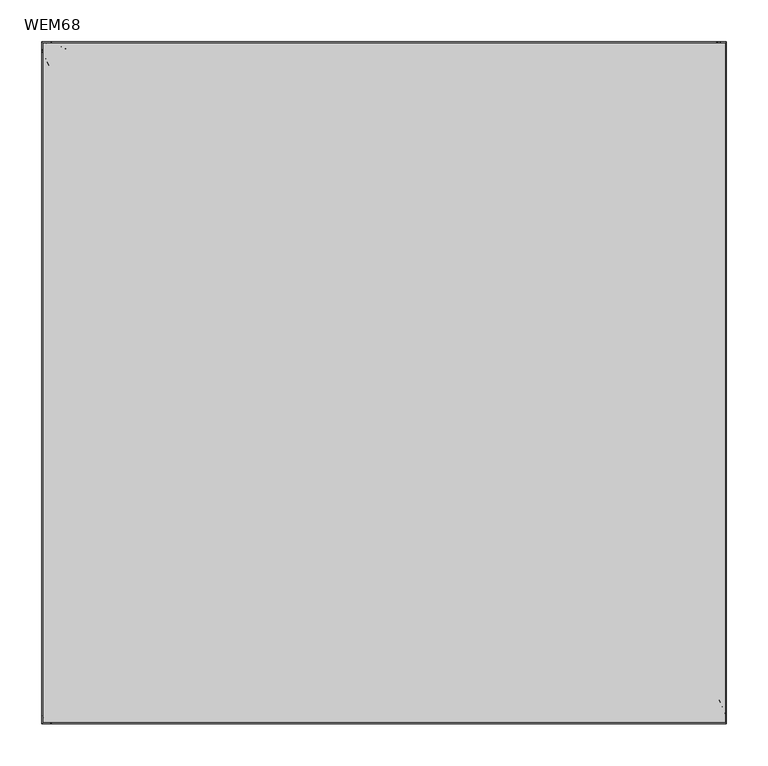
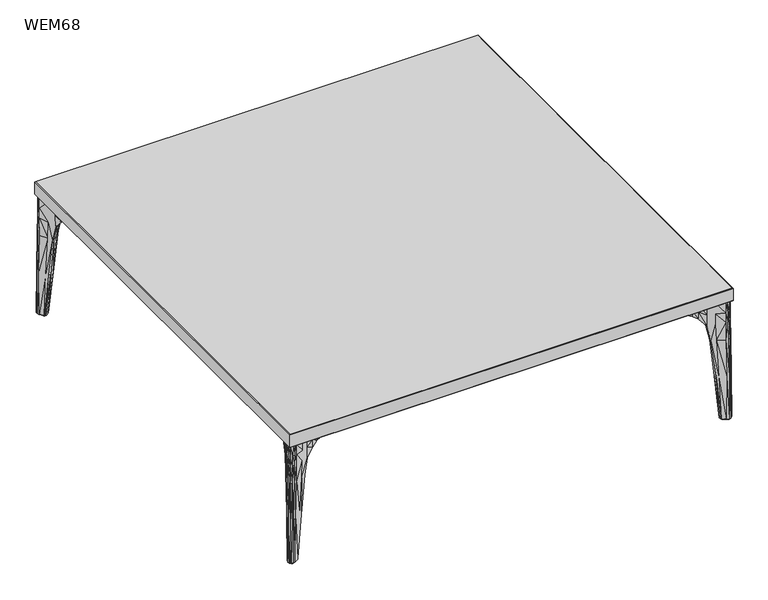
"""IFC4 building model written with IfcOpenShell, lengths in millimetres: furniture geometry, WEM68."""

from ifc_helpers import new_model, si_unit, origin, place, context, project, spatial, triangles, source, transform, mapped, element, save


def wem68_127366e8(model_context):
    return source(origin(), model_context, "Body", "Tessellation", [
        triangles([(-305.1301397, -375.8615782, 225.5355432), (-305.1301397, -375.8615782, 227.4269975), (-336.8280959, -382.4349051, 227.4269975), (-336.8280959, -382.4349415, 218.1970558), (-355.0053658, -387.5181705, 213.1631697), (-355.0053658, -387.5182068, 199.421494), (-345.2011677, -384.0476701, 206.0328455), (-345.0974676, -384.0868029, 216.5304969), (-367.3420401, -392.1795865, 205.415841), (-367.3042517, -391.8192524, 184.2103585), (-379.6227585, -398.2418255, 206.9621674), (-379.9041003, -398.0084822, 187.2463832), (-394.8892685, -405.5538065, 208.1181107), (-394.7795732, -405.6883913, 189.5159213), (-397.9117221, -406.2120875, 208.157843), (-398.4100565, -406.3233816, 189.817429), (-401.4846508, -404.8610799, 208.0958191), (-401.7859769, -404.6056449, 189.6939627), (-307.020504, -370.6362067, 226.0018301), (-307.020504, -370.6362067, 224.6288398), (-339.5273861, -338.1293973, 224.6288398), (-339.5273861, -338.1293973, 226.0018301), (-344.9898797, -384.1274254, 227.4270338), (-305.1301397, -375.8615782, 223.7133433), (-302.3911717, -375.2655753, 224.6288398), (-302.3911717, -375.2655753, 226.0018301), (-401.1718792, -405.1261436, 227.1969061), (-404.4587789, -403.0608627, 227.4270701), (-404.4588152, -403.0608991, 208.2087665), (-307.020504, -370.6362067, 227.4269975), (-302.3911717, -375.2655753, 227.4269975), (-383.8328576, -335.4301798, 218.1970194), (-383.8328576, -335.4301798, 227.4269975), (-377.259567, -303.7321509, 227.4269793), (-377.259567, -303.7321509, 225.5355432), (-385.4847917, -343.6995515, 216.5304969), (-385.4456589, -343.8032152, 206.0328092), (-388.9161592, -353.6074133, 199.421494), (-388.9161229, -353.6074133, 213.1631697), (-393.2171685, -365.9063355, 184.2103221), (-393.577539, -365.9441239, 205.415841), (-399.406471, -378.5061842, 187.2463832), (-399.6397416, -378.2248424, 206.9621674), (-407.0862711, -393.3815844, 189.5159213), (-406.9517953, -393.4913524, 208.1181107), (-407.7213341, -397.0121404, 189.8173927), (-407.61004, -396.513806, 208.157843), (-406.0036337, -400.3880244, 189.6939627), (-406.258996, -400.0867347, 208.0958191), (-372.0341955, -305.6225879, 224.6288398), (-372.0341955, -305.6225879, 226.0018301), (-385.5254142, -343.5918909, 227.4269975), (-376.6635641, -300.9932011, 226.0018301), (-376.6635641, -300.9932011, 224.6288398), (-377.259567, -303.7321509, 223.7133433), (-406.5240598, -399.7739631, 227.1969061), (-376.6635641, -300.9932011, 227.4269793), (-372.0341955, -305.6225879, 227.4269793), (305.1682915, -375.8615418, 223.7133615), (336.8662477, -382.4348688, 209.3049568), (336.8662477, -382.4348688, 218.1970739), (305.1682551, -375.8615418, 225.5355977), (345.0279951, -384.127389, 227.4270701), (345.1356194, -384.0868029, 216.5305332), (355.0435175, -387.5180978, 213.1632061), (355.0434812, -387.5180978, 227.4270701), (367.3801555, -392.1795138, 205.4158773), (367.4193973, -392.5535462, 227.4270701), (379.6609102, -398.2417528, 206.9622037), (379.3688859, -398.4838892, 227.4270883), (394.9274202, -405.5537702, 208.118147), (395.0413304, -405.4140621, 227.4270883), (397.9498738, -406.2120512, 208.1578611), (397.4326452, -406.0965059, 227.1952347), (401.5228025, -404.8610072, 208.0958555), (401.2100309, -405.1261073, 227.1969243), (339.5655015, -338.1293246, 227.4269975), (339.5655015, -338.1293246, 226.0018301), (307.0586557, -370.6361704, 226.0018664), (307.0586557, -370.6361704, 227.4269975), (379.9422521, -398.0084822, 187.2464377), (367.3424034, -391.8192161, 184.2103585), (373.9109342, -394.2627806, 155.2832179), (381.2255313, -397.9923858, 155.562525), (394.8177249, -405.6883186, 189.5159394), (394.5370734, -405.3588329, 155.6945663), (398.4482082, -406.3233453, 189.8174654), (399.0746598, -406.3266154, 155.6948389), (404.4969669, -403.0608627, 189.6939809), (401.8241286, -404.6056449, 189.6939809), (402.963921, -404.9831291, 155.6945663), (404.7347068, -403.2986026, 155.4156226), (381.9582264, -397.0598119, 82.6699176), (388.6634494, -398.2185711, 0.276342), (389.6278891, -399.9791468, 0.3073662), (385.4438058, -399.1240754, 83.2311388), (396.6843987, -404.4032227, 0.3373474), (396.5400398, -405.4663482, 84.4112357), (400.8293492, -406.2467511, 0.4314333), (400.372364, -406.332865, 84.9400733), (403.7728106, -405.8922306, 0.4253983), (402.1065969, -406.0070492, 84.9401369), (305.1682551, -375.8615418, 227.4270338), (336.8662477, -382.4348325, 227.4270338), (339.6435491, -379.6575674, 227.4270338), (309.4300226, -371.5997744, 227.4269975), (395.7390349, -404.7163576, 227.4270883), (380.5831286, -397.2696101, 227.4270883), (357.0471016, -385.5145137, 227.4270701), (347.4230524, -381.7323318, 227.4270701), (368.9893232, -390.9836566, 227.4270701), (310.9889391, -371.2254876, 222.9447129), (341.3296017, -374.9433929, 209.2039274), (355.0435175, -387.5181341, 199.4215303), (345.2393194, -384.0476701, 206.0328455), (348.7018261, -379.5822086, 205.524628), (357.1348143, -384.528491, 199.4616078), (366.8819301, -389.6496901, 183.5337646), (373.228018, -391.8324057, 155.2123102), (380.7529947, -393.0398901, 82.5484588), (388.7586834, -396.0888319, 0.2427697), (302.4293235, -375.2655026, 227.4269975), (302.4293235, -375.2655026, 226.0018664), (341.2329869, -339.7968101, 227.4269975), (302.4293235, -375.2655026, 224.6288579), (307.0586557, -370.6361704, 224.6288579), (359.6433821, -358.2072415, 208.18355), (364.0730172, -362.6368767, 204.2616055), (404.4969669, -403.0608264, 208.2088028), (405.6604497, -404.2244182, 0.5599707), (405.2234851, -403.7874172, 84.9401369), (360.3686285, -358.932488, 227.4270338), (404.4969306, -403.0607901, 227.4270883), (400.9457665, -399.509626, 227.4270883), (389.6444578, -388.2083173, 227.4270883), (371.9988779, -370.5627374, 227.4270701), (365.2957623, -363.8595855, 227.4270338), (380.7045602, -379.2683833, 227.4270701), (311.8981859, -372.125687, 225.1478125), (342.4486467, -341.0124699, 225.5526206), (358.9336143, -357.4974738, 223.0351871), (339.2938974, -373.5087058, 223.1918635), (369.9756729, -368.539496, 197.975107), (378.2721505, -376.8359736, 182.7329414), (382.2879301, -380.8517896, 155.2123647), (386.5750957, -385.1389915, 82.5329892), (392.4138382, -390.977843, 0.2404004), (339.5655015, -338.1293246, 224.6288398), (341.679108, -340.2428947, 223.2473471), (377.2977187, -303.7321328, 223.7133433), (377.2977187, -303.7320964, 225.5355432), (383.8710093, -335.4301071, 218.1970558), (383.8710093, -335.4301071, 209.3049205), (385.5635659, -343.5918546, 227.4270338), (388.9542747, -353.6073406, 227.4270338), (388.9542747, -353.6073406, 213.1632061), (385.5229434, -343.6994788, 216.5304969), (393.9897231, -365.9832567, 227.4270701), (393.6156907, -365.9440513, 205.415841), (399.9200297, -377.9327454, 227.4270701), (399.677857, -378.224806, 206.9622037), (406.850239, -393.6051899, 227.4270883), (406.989947, -393.491316, 208.118147), (407.5326465, -395.9965047, 227.1951984), (407.6481917, -396.5137696, 208.1578611), (406.5622115, -399.7738904, 227.1969243), (406.2971478, -400.086662, 208.0958555), (372.0723473, -305.6225152, 227.4269793), (372.0723473, -305.6225152, 226.0018301), (399.4446227, -378.5061115, 187.2464195), (399.4285263, -379.7894271, 155.562525), (395.6988848, -372.47483, 155.2831816), (393.2553203, -365.9062992, 184.2103585), (407.1244228, -393.381548, 189.5159394), (406.7949735, -393.1009692, 155.6945663), (407.7594858, -397.0120677, 189.817429), (407.7627196, -397.6385556, 155.6948389), (406.4192697, -401.5278168, 155.6945482), (406.0417854, -400.3879881, 189.6939809), (398.4959524, -380.5221222, 82.6699176), (400.5601433, -384.0077379, 83.2311206), (401.4151783, -388.1918939, 0.3073662), (399.654639, -387.2274179, 0.2763271), (406.902416, -395.1040083, 84.4112175), (405.8392542, -395.2483672, 0.3373474), (407.7689329, -398.9362962, 84.9400733), (407.682819, -399.3932814, 0.4314333), (407.4431534, -400.6704926, 84.9401369), (407.3282621, -402.336779, 0.4253983), (377.2976824, -303.7320964, 227.4269793), (373.0359512, -307.9938821, 227.4269793), (381.0937443, -338.2074085, 227.4270338), (383.8710093, -335.4301071, 227.4270338), (406.1525345, -394.3028944, 227.4270883), (398.705787, -379.1469881, 227.4270701), (383.1685086, -345.9869119, 227.4270338), (386.9506542, -355.6109247, 227.4270338), (392.4197971, -367.5531464, 227.4270701), (376.3795335, -339.8934611, 209.203891), (372.6616645, -309.5527986, 222.9446766), (388.954311, -353.6073406, 199.421494), (385.9646679, -355.6986737, 199.4616078), (381.0183855, -347.2656492, 205.5245916), (385.4838106, -343.8031789, 206.0328455), (391.0857943, -365.4458259, 183.5337283), (393.2685462, -371.7919138, 155.212292), (397.5248634, -387.3226519, 0.2427548), (394.4759216, -379.3168905, 82.5484588), (376.7017159, -300.9931466, 226.0018301), (376.7017159, -300.9931466, 227.4269793), (372.0723473, -305.6225152, 224.6288398), (376.7017159, -300.9931466, 224.6288398), (373.5618639, -310.4620454, 225.1477761), (374.9448827, -337.8577206, 223.1918272), (390.5408057, -398.1110195, -1.1729151), (390.6188533, -396.3658499, -1.1729151), (392.978266, -397.9064535, -1.1729151), (391.3310918, -399.5535913, -1.1729151), (393.6139466, -392.1779151, -1.1729151), (397.8019177, -389.1828218, -1.17293), (399.5470147, -389.1047742, -1.1729151), (400.9896592, -389.8950966, -1.1729151), (404.6147286, -395.6771928, -1.1729151), (406.1253559, -399.0736061, -1.1729151), (405.8348213, -401.4854865, -1.1729002), (404.468226, -403.0322308, -1.1729002), (402.9214817, -404.3988261, -1.1729002), (400.5096013, -404.6893244, -1.1729002), (397.1132243, -403.1787334, -1.1729151), (398.6694883, -401.6224694, -1.1729151), (396.1604118, -394.7243803, -1.1729151), (400.8640128, -399.4279813, -1.1729151), (399.3424487, -391.5422708, -1.1729151), (403.0585373, -397.2334568, -1.1729151), (305.1682188, 375.9454393, 225.5355432), (336.8662113, 382.5188026, 218.1970558), (336.8662113, 382.5188026, 209.3049205), (305.1682551, 375.9454393, 223.7133433), (355.0434085, 387.6020316, 227.4270338), (355.0434448, 387.6020316, 213.1631697), (345.135583, 384.170664, 216.5304969), (345.0279588, 384.2112865, 227.4270338), (367.4193246, 392.6374437, 227.4270338), (367.3801191, 392.2634113, 205.415841), (379.3688132, 398.5677867, 227.4270701), (379.6608739, 398.3256503, 206.9621674), (395.0412941, 405.4979959, 227.4270701), (394.9273839, 405.6376677, 208.1181107), (397.4326089, 406.1804034, 227.1951802), (397.9498375, 406.2959487, 208.157843), (401.2099946, 405.2100048, 227.1969061), (401.5227662, 404.9449047, 208.0958191), (307.0586194, 370.7201042, 227.4269975), (307.0586194, 370.7201042, 226.0018301), (339.5654652, 338.2132585, 226.0018301), (339.5654652, 338.2132585, 227.4269793), (381.225495, 398.0762833, 155.5624887), (373.9108615, 394.3466417, 155.2831816), (367.3423671, 391.9031136, 184.2103585), (379.9421794, 398.0923433, 187.2463832), (394.5370371, 405.4427304, 155.6945482), (394.8176522, 405.7722161, 189.5159213), (399.0746598, 406.4105129, 155.6947844), (398.4481356, 406.4072428, 189.817429), (404.7346341, 403.3824637, 155.4155863), (402.9638846, 405.0670266, 155.6945482), (401.824056, 404.6895061, 189.6939627), (404.4968943, 403.1447602, 189.6939627), (385.4437331, 399.2079366, 83.2311024), (389.6278527, 400.0629716, 0.3073364), (388.6633767, 398.3023959, 0.2763122), (381.9581537, 397.1437094, 82.6698812), (396.5400035, 405.5502093, 84.4111903), (396.6843624, 404.4870475, 0.3373176), (400.3722914, 406.4167262, 84.9400279), (400.8292766, 406.3305759, 0.4313886), (402.1065242, 406.090874, 84.9401097), (403.7727379, 405.9760554, 0.4253686), (309.4299863, 371.6837082, 227.4269975), (339.6434401, 379.7415012, 227.4269975), (336.8662113, 382.5188026, 227.4269975), (305.1682188, 375.9454393, 227.4269975), (395.7389986, 404.8002914, 227.4270701), (380.5830923, 397.3535439, 227.4270701), (347.4229797, 381.8162292, 227.4270338), (357.0470653, 385.5984112, 227.4270338), (368.9892506, 391.0675541, 227.4270338), (341.329529, 375.0272904, 209.203891), (310.9888664, 371.3093851, 222.9446766), (357.1347416, 384.6123885, 199.4615715), (348.7017898, 379.6661061, 205.5245916), (345.2392467, 384.1315676, 206.0328455), (355.0434448, 387.6020679, 199.421494), (366.8818937, 389.7335876, 183.5337283), (373.2279453, 391.9163032, 155.2122557), (388.7586471, 396.1726567, 0.2427399), (380.7529221, 393.1237513, 82.5484225), (302.4292508, 375.3494728, 226.0018301), (302.4292508, 375.3494728, 227.4269975), (341.2328779, 339.8807802, 227.4269975), (307.0586194, 370.7201042, 224.6288398), (302.4292508, 375.3494728, 224.6288398), (364.0729082, 362.7207742, 204.2616055), (359.6433457, 358.291139, 208.18355), (404.4968943, 403.1446876, 208.2087665), (405.2234124, 403.8712784, 84.9401097), (405.660377, 404.308243, 0.5599409), (360.3685558, 359.0164218, 227.4269975), (400.9457302, 399.5935598, 227.4270701), (404.4968943, 403.1446876, 227.4270701), (389.6443851, 388.2922148, 227.4270701), (365.295726, 363.9435193, 227.4270338), (371.9988052, 370.6466349, 227.4270338), (380.7044875, 379.3522808, 227.4270338), (339.2938248, 373.5926396, 223.1918272), (358.933578, 357.5814076, 223.0351507), (342.4485741, 341.0964037, 225.5526206), (311.8981133, 372.2096209, 225.1477761), (369.9756002, 368.6234299, 197.9750706), (378.2720415, 376.9198711, 182.7329051), (382.2878574, 380.9356871, 155.2123465), (392.4138019, 391.0616678, 0.2403706), (386.5750594, 385.2228527, 82.5329528), (341.6789989, 340.3268286, 223.2473471), (339.5654652, 338.2132585, 224.6288398), (383.8709367, 335.5140046, 209.3049205), (383.8709367, 335.5140046, 218.1970194), (377.297646, 303.8160121, 225.5355432), (377.297646, 303.8160121, 223.7133433), (385.5228344, 343.7833763, 216.5304969), (388.9542383, 353.6912381, 213.1631697), (388.9542383, 353.6912381, 227.4270338), (385.5634569, 343.6757521, 227.4269975), (393.615618, 366.0279488, 205.415841), (393.9896141, 366.0671542, 227.4270338), (399.6778207, 378.3086672, 206.9621674), (399.9199934, 378.0166429, 227.4270701), (406.9898744, 393.5751772, 208.1181107), (406.8502027, 393.6890511, 227.4270701), (407.6481191, 396.5976671, 208.157843), (407.5326101, 396.0804022, 227.1951802), (406.2970751, 400.1705595, 208.0958191), (406.5621752, 399.8578242, 227.1969061), (372.0722383, 305.706449, 226.0018301), (372.0722383, 305.706449, 227.4269793), (393.2552476, 365.9901967, 184.2103221), (395.6988121, 372.5587275, 155.2831816), (399.4284173, 379.8732882, 155.5624523), (399.44455, 378.590009, 187.2463832), (406.7949008, 393.1848667, 155.6945482), (407.1243865, 393.4654455, 189.5159213), (407.7626833, 397.7224531, 155.6947844), (407.7594131, 397.0959652, 189.8173927), (406.0417128, 400.4718856, 189.6939627), (406.4192333, 401.6117143, 155.6945482), (399.6545663, 387.3112427, 0.2763122), (401.4151056, 388.2757187, 0.3073364), (400.5600706, 384.0915627, 83.2310934), (398.4958797, 380.6059834, 82.6698812), (405.8392179, 395.332192, 0.3373176), (406.9023797, 395.1878331, 84.4111903), (407.6827463, 399.4771062, 0.4313886), (407.7688602, 399.020121, 84.9400279), (407.3282258, 402.4206038, 0.4253686), (407.4430807, 400.7543538, 84.9400915), (383.8709367, 335.5139683, 227.4269975), (381.0936353, 338.2912697, 227.4269975), (373.0358422, 308.0778159, 227.4269793), (377.2976097, 303.8160121, 227.4269793), (406.1524618, 394.3868282, 227.4270701), (398.7057143, 379.2309219, 227.4270701), (386.9505816, 355.6948586, 227.4270338), (383.168436, 346.0708094, 227.4269975), (392.4197245, 367.6370439, 227.4270338), (372.6615918, 309.6366961, 222.9446766), (376.3794608, 339.9773586, 209.203891), (385.4837016, 343.8870764, 206.0328092), (381.0182765, 347.3495831, 205.5245553), (385.9645589, 355.7825712, 199.4615715), (388.9542383, 353.6912745, 199.421494), (391.0857579, 365.5297234, 183.5337283), (393.2685099, 371.875775, 155.2122557), (394.4758853, 379.4007154, 82.5484225), (397.5247908, 387.4064767, 0.242725), (376.7016068, 301.0770623, 227.4269793), (376.7016068, 301.0770623, 226.0018301), (376.7016068, 301.0770623, 224.6288398), (372.0722383, 305.706449, 224.6288398), (374.9447737, 337.9416544, 223.1918272), (373.5617549, 310.5459429, 225.1477761), (391.3310555, 399.6374162, -1.1729449), (392.9782296, 397.9902783, -1.1729449), (390.6188169, 396.4496747, -1.1729449), (390.5407331, 398.1948443, -1.1729449), (393.613874, 392.2617399, -1.1729449), (397.8018451, 389.2666466, -1.1729449), (399.546942, 389.1886353, -1.1729449), (400.9895865, 389.9789214, -1.1729449), (404.6146923, 395.7610539, -1.1729449), (406.1253196, 399.1573946, -1.1729449), (405.834785, 401.5693113, -1.1729449), (404.4681896, 403.1160556, -1.1729449), (402.9214454, 404.4826509, -1.1729449), (400.5095286, 404.7731855, -1.1729449), (397.113188, 403.2625583, -1.1729449), (398.6694157, 401.7062943, -1.1729449), (396.1603392, 394.8081688, -1.1729449), (400.8639401, 399.5117698, -1.1729449), (399.342376, 391.6260956, -1.1729449), (403.0584646, 397.3172816, -1.1729449), (-305.1301761, 375.9453667, 223.7133615), (-336.8281322, 382.51873, 209.3049568), (-336.8281322, 382.5186936, 218.1970739), (-305.1301761, 375.9453667, 225.5355977), (-344.9898797, 384.2112502, 227.4270701), (-345.0975039, 384.1706277, 216.5305332), (-355.0053658, 387.6019953, 213.1632061), (-355.0053658, 387.6019589, 227.4270701), (-367.3420401, 392.263375, 205.4158773), (-367.3812819, 392.6374074, 227.4270701), (-379.6227948, 398.325614, 206.9622037), (-379.3307705, 398.5677504, 227.4270883), (-394.8893048, 405.6376313, 208.118147), (-395.003215, 405.4979596, 227.4270883), (-397.9117584, 406.2959124, 208.1578611), (-397.3944935, 406.1803671, 227.1952347), (-401.4846508, 404.9448684, 208.0958555), (-401.1719155, 405.2099685, 227.1969243), (-339.5274224, 338.2132221, 227.4269975), (-339.5274224, 338.2132221, 226.0018301), (-307.0205767, 370.7200315, 226.0018664), (-307.0205767, 370.7200315, 227.4269975), (-379.9041367, 398.0923433, 187.2464377), (-367.304288, 391.9030772, 184.2103585), (-373.8728188, 394.3466417, 155.2832179), (-381.1874159, 398.0762833, 155.562525), (-394.7796095, 405.7721798, 189.5159394), (-394.498958, 405.4427304, 155.6945663), (-398.4100928, 406.4072064, 189.8174654), (-399.0365444, 406.4104766, 155.6948389), (-404.4588515, 403.1447239, 189.6939809), (-401.7860132, 404.6895061, 189.6939809), (-402.9258056, 405.0670266, 155.6945663), (-404.6965914, 403.3824637, 155.4156226), (-381.920111, 397.1437094, 82.6699176), (-388.625334, 398.3024323, 0.276342), (-389.5897737, 400.0630079, 0.3073662), (-385.4056904, 399.2079366, 83.2311388), (-396.6462833, 404.4870838, 0.3373474), (-396.5019244, 405.5502093, 84.4112357), (-400.7912338, 406.3306486, 0.4314333), (-400.3342486, 406.4167262, 84.9400733), (-403.7346951, 405.9760918, 0.4253983), (-402.0684814, 406.0909467, 84.9401369), (-305.1301761, 375.9453667, 227.4270338), (-336.8281322, 382.5186936, 227.4270338), (-339.6054337, 379.7413922, 227.4270338), (-309.3919072, 371.6835992, 227.4269975), (-395.7009195, 404.8002188, 227.4270883), (-380.5450132, 397.3535076, 227.4270883), (-357.0089862, 385.5983748, 227.4270701), (-347.384937, 381.8161929, 227.4270701), (-368.9512078, 391.0675178, 227.4270701), (-310.95086, 371.3093124, 222.9447129), (-341.2914863, 375.0272541, 209.2039274), (-355.0053658, 387.6019953, 199.4215303), (-345.201204, 384.1314949, 206.0328455), (-348.6637107, 379.6660698, 205.524628), (-357.0966989, 384.6123522, 199.4616078), (-366.8438147, 389.7335512, 183.5337646), (-373.1899026, 391.9163032, 155.2123102), (-380.7148793, 393.1237513, 82.5484588), (-388.720568, 396.1726931, 0.2427697), (-302.3912262, 375.3493638, 227.4269975), (-302.3912262, 375.3493638, 226.0018664), (-341.1949079, 339.8806712, 227.4269975), (-302.3912262, 375.3493638, 224.6288579), (-307.0205767, 370.7200315, 224.6288579), (-359.605303, 358.2911027, 208.18355), (-364.0349018, 362.7207378, 204.2616055), (-404.4588515, 403.1447239, 208.2088028), (-405.6223343, 404.3083157, 0.5599707), (-405.1853333, 403.8713147, 84.9401369), (-360.3305131, 359.0163491, 227.4270338), (-404.4588152, 403.1446876, 227.4270883), (-400.9076511, 399.5935235, 227.4270883), (-389.6063424, 388.2921784, 227.4270883), (-371.9607625, 370.6465985, 227.4270701), (-365.2576833, 363.9434466, 227.4270338), (-380.6664448, 379.3522445, 227.4270701), (-311.8600705, 372.2095119, 225.1478125), (-342.4105313, 341.096331, 225.5526206), (-358.8954989, 357.581335, 223.0351871), (-339.255782, 373.592567, 223.1918635), (-369.9375212, 368.6233935, 197.975107), (-378.2340351, 376.9198348, 182.7329414), (-382.2498147, 380.9356871, 155.2123647), (-386.5369803, 385.222889, 82.5329892), (-392.3757228, 391.0617405, 0.2404004), (-339.5274224, 338.2132221, 224.6288398), (-341.6409925, 340.3267559, 223.2473471), (-377.2596396, 303.8159939, 223.7133433), (-377.2596396, 303.8159939, 225.5355432), (-383.8329303, 335.5139319, 218.1970558), (-383.8329303, 335.5139683, 209.3049205), (-385.5254505, 343.6757157, 227.4270338), (-388.9161956, 353.6912381, 227.4270338), (-388.9161956, 353.6912381, 213.1632061), (-385.484828, 343.78334, 216.5304969), (-393.9516077, 366.0671179, 227.4270701), (-393.5775753, 366.0279124, 205.415841), (-399.8819507, 378.0166065, 227.4270701), (-399.6397779, 378.3086672, 206.9622037), (-406.8121236, 393.6890511, 227.4270883), (-406.9517953, 393.5751772, 208.118147), (-407.4945311, 396.0803658, 227.1951984), (-407.6100763, 396.5976671, 208.1578611), (-406.5240961, 399.8577879, 227.1969243), (-406.2590323, 400.1705595, 208.0958555), (-372.0342682, 305.7064127, 227.4269793), (-372.0342682, 305.7064127, 226.0018301), (-399.4065073, 378.590009, 187.2464195), (-399.3904109, 379.8732882, 155.562525), (-395.6608057, 372.5587275, 155.2831816), (-393.2172049, 365.9901604, 184.2103585), (-407.0863074, 393.4654455, 189.5159394), (-406.7568581, 393.1848667, 155.6945663), (-407.7213704, 397.0959652, 189.817429), (-407.7246042, 397.7224168, 155.6948389), (-406.3811543, 401.6117143, 155.6945482), (-406.00367, 400.4718493, 189.6939809), (-398.457837, 380.6059834, 82.6699176), (-400.5220279, 384.0915991, 83.2311206), (-401.3770629, 388.275755, 0.3073662), (-399.6165236, 387.3113153, 0.2763271), (-406.8643006, 395.1878695, 84.4112175), (-405.8011388, 395.3322647, 0.3373474), (-407.7308175, 399.0201573, 84.9400733), (-407.6447036, 399.4771789, 0.4314333), (-407.4050016, 400.7543901, 84.9401369), (-407.2901467, 402.4206402, 0.4253983), (-377.2596033, 303.8159576, 227.4269793), (-372.9978358, 308.0777432, 227.4269793), (-381.0556652, 338.2912697, 227.4270338), (-383.8328939, 335.5139319, 227.4270338), (-406.1143827, 394.3867919, 227.4270883), (-398.6676716, 379.2308856, 227.4270701), (-383.1303932, 346.070773, 227.4270338), (-386.9125388, 355.6947859, 227.4270338), (-392.3816817, 367.6370075, 227.4270701), (-376.3414544, 339.9773223, 209.203891), (-372.6235491, 309.6366597, 222.9446766), (-388.9161956, 353.6912381, 199.421494), (-385.9265525, 355.7825349, 199.4616078), (-380.9802701, 347.3495467, 205.5245916), (-385.4456952, 343.88704, 206.0328455), (-391.0477152, 365.529687, 183.5337283), (-393.2304671, 371.875775, 155.212292), (-397.486748, 387.406513, 0.2427548), (-394.4378062, 379.400788, 82.5484588), (-376.6636368, 301.0770078, 226.0018301), (-376.6636368, 301.0770078, 227.4269793), (-372.0342682, 305.7063764, 224.6288398), (-376.6636368, 301.0770078, 224.6288398), (-373.5237848, 310.5459065, 225.1477761), (-374.9067673, 337.9416181, 223.1918272), (-390.5026903, 398.1948807, -1.1729151), (-390.5807379, 396.449711, -1.1729151), (-392.9401505, 397.9903147, -1.1729151), (-391.2929764, 399.6374888, -1.1729151), (-393.5758312, 392.2618126, -1.1729151), (-397.7638023, 389.2666829, -1.17293), (-399.5088993, 389.1886717, -1.1729151), (-400.9515438, 389.9789577, -1.1729151), (-404.5766132, 395.7610903, -1.1729151), (-406.0872405, 399.1574673, -1.1729151), (-405.7967422, 401.569384, -1.1729002), (-404.4300742, 403.1160919, -1.1729002), (-402.8833663, 404.4826873, -1.1729002), (-400.4714859, 404.7732219, -1.1729002), (-397.0751089, 403.2625946, -1.1729151), (-398.6313366, 401.7063306, -1.1729151), (-396.1222601, 394.8082051, -1.1729151), (-400.8258611, 399.5118424, -1.1729151), (-399.3043696, 391.6261319, -1.1729151), (-403.0203856, 397.3173543, -1.1729151), (-336.8280959, -382.4349415, 209.3049205), (-355.0053294, -387.5181705, 227.4270338), (-367.3812455, -392.5535826, 227.4270338), (-379.3307342, -398.4839255, 227.4270701), (-395.003215, -405.4141348, 227.4270701), (-397.3944935, -406.0965786, 227.1951802), (-339.5273861, -338.1293973, 227.4269793), (-381.1873796, -397.9924221, 155.5624887), (-373.8727824, -394.2627806, 155.2831816), (-394.498958, -405.3588693, 155.6945482), (-399.0365444, -406.3266518, 155.6947844), (-404.696555, -403.2986389, 155.4155863), (-402.9258056, -404.9831655, 155.6945482), (-404.4588152, -403.0608991, 189.6939627), (-385.405654, -399.1240754, 83.2311024), (-389.5897737, -399.9791104, 0.3073364), (-388.6252976, -398.2185348, 0.2763122), (-381.9200747, -397.0598119, 82.6698812), (-396.5018881, -405.4663482, 84.4111903), (-396.646247, -404.4031863, 0.3373176), (-400.3342123, -406.332865, 84.9400279), (-400.7911975, -406.2467511, 0.4313886), (-402.0684451, -406.0070855, 84.9401097), (-403.7346951, -405.8921943, 0.4253686), (-309.3918709, -371.5998107, 227.4269975), (-339.6053973, -379.6576401, 227.4269975), (-395.7009195, -404.7164303, 227.4270701), (-380.5449769, -397.2696828, 227.4270701), (-347.3849007, -381.7323681, 227.4270338), (-357.0089499, -385.51455, 227.4270338), (-368.9511715, -390.9836929, 227.4270338), (-341.2914499, -374.9434293, 209.203891), (-310.9507874, -371.2255239, 222.9446766), (-357.0966625, -384.5285637, 199.4615715), (-348.6636744, -379.582245, 205.5245916), (-366.8437783, -389.6497264, 183.5337283), (-373.1898663, -391.8324783, 155.2122557), (-388.7205317, -396.0887956, 0.2427399), (-380.714843, -393.0398901, 82.5484225), (-341.1948352, -339.7968827, 227.4269975), (-364.0348655, -362.6368767, 204.2616055), (-359.6052667, -358.2072779, 208.18355), (-405.1853333, -403.7874172, 84.9401097), (-405.622298, -404.2244182, 0.5599409), (-360.3304768, -358.9325606, 227.4269975), (-400.9076511, -399.5096987, 227.4270701), (-389.6063424, -388.2083536, 227.4270701), (-365.2576106, -363.8596581, 227.4270338), (-371.9607262, -370.5627737, 227.4270338), (-380.6664084, -379.2684196, 227.4270338), (-339.2557457, -373.5087785, 223.1918272), (-358.8954626, -357.4975465, 223.0351507), (-342.410495, -341.0125425, 225.5526206), (-311.8600705, -372.1257597, 225.1477761), (-369.9375212, -368.5395687, 197.9750706), (-378.2339988, -376.8360463, 182.7329051), (-382.2497784, -380.8518259, 155.2123465), (-392.3757228, -390.977843, 0.2403706), (-386.536944, -385.1390279, 82.5329528), (-341.6409562, -340.2429674, 223.2473471), (-383.8328576, -335.4301798, 209.3049205), (-388.9161229, -353.607377, 227.4270338), (-393.9515714, -365.9832931, 227.4270338), (-399.8819143, -377.9327817, 227.4270701), (-406.8120872, -393.6052262, 227.4270701), (-407.4945311, -395.9965774, 227.1951802), (-395.660733, -372.4748663, 155.2831816), (-399.3903746, -379.7894271, 155.5624523), (-406.7568217, -393.1010056, 155.6945482), (-407.7246042, -397.638592, 155.6947844), (-406.3811179, -401.5278894, 155.6945482), (-399.6164872, -387.2274179, 0.2763122), (-401.3770266, -388.1918939, 0.3073364), (-400.5219915, -384.0077379, 83.2310934), (-398.4578007, -380.5221222, 82.6698812), (-405.8011024, -395.2483672, 0.3373176), (-406.8643006, -395.1040083, 84.4111903), (-407.6446672, -399.3932814, 0.4313886), (-407.7307812, -398.9362962, 84.9400279), (-407.2901467, -402.3367427, 0.4253686), (-407.4050016, -400.670529, 84.9400915), (-381.0555925, -338.2074449, 227.4269975), (-372.9977995, -307.9939548, 227.4269793), (-406.1143827, -394.3029671, 227.4270701), (-398.6676353, -379.1470608, 227.4270701), (-386.9125388, -355.6109974, 227.4270338), (-383.1303569, -345.9869482, 227.4269975), (-392.3816454, -367.553219, 227.4270338), (-372.6235491, -309.5528349, 222.9446766), (-376.3414181, -339.8935338, 209.203891), (-380.9802338, -347.2657219, 205.5245553), (-385.9265162, -355.6987101, 199.4615715), (-391.0476425, -365.4458622, 183.5337283), (-393.2303945, -371.7919501, 155.2122557), (-394.4378062, -379.3169269, 82.5484225), (-397.4867117, -387.3226155, 0.242725), (-374.9067309, -337.8577932, 223.1918272), (-373.5237122, -310.4620817, 225.1477761), (-391.2929764, -399.5535913, -1.1729449), (-392.9401505, -397.9064172, -1.1729449), (-390.5807015, -396.3658499, -1.1729449), (-390.502654, -398.1109832, -1.1729449), (-393.5757949, -392.1779151, -1.1729449), (-397.763766, -389.1828218, -1.1729449), (-399.508863, -389.1047742, -1.1729449), (-400.9515075, -389.8950966, -1.1729449), (-404.5766132, -395.6771928, -1.1729449), (-406.0872042, -399.0735698, -1.1729449), (-405.7966696, -401.4854865, -1.1729449), (-404.4300742, -403.0321944, -1.1729449), (-402.8833663, -404.3987898, -1.1729449), (-400.4714496, -404.6893244, -1.1729449), (-397.0750726, -403.1786971, -1.1729449), (-398.6313366, -401.6224331, -1.1729449), (-396.1222601, -394.724344, -1.1729449), (-400.8258611, -399.4279813, -1.1729449), (-399.304297, -391.5422708, -1.1729449), (-403.0203856, -397.2334568, -1.1729449)], [[1, 2, 3], [1, 3, 4], [5, 6, 7], [5, 7, 8], [9, 10, 6], [9, 6, 5], [11, 12, 10], [11, 10, 9], [13, 14, 12], [13, 12, 11], [15, 16, 14], [15, 14, 13], [17, 18, 16], [17, 16, 15], [19, 20, 21], [19, 21, 22], [4, 3, 23], [4, 23, 8], [1, 24, 25], [1, 25, 26], [17, 27, 28], [17, 28, 29], [19, 30, 31], [19, 31, 26], [32, 33, 34], [32, 34, 35], [36, 37, 38], [36, 38, 39], [39, 38, 40], [39, 40, 41], [41, 40, 42], [41, 42, 43], [43, 42, 44], [43, 44, 45], [45, 44, 46], [45, 46, 47], [47, 46, 48], [47, 48, 49], [22, 21, 50], [22, 50, 51], [36, 52, 33], [36, 33, 32], [53, 54, 55], [53, 55, 35], [29, 28, 56], [29, 56, 49], [53, 57, 58], [53, 58, 51], [59, 60, 61], [59, 61, 62], [63, 64, 65], [63, 65, 66], [66, 65, 67], [66, 67, 68], [68, 67, 69], [68, 69, 70], [70, 69, 71], [70, 71, 72], [72, 71, 73], [72, 73, 74], [74, 73, 75], [74, 75, 76], [77, 78, 79], [77, 79, 80], [81, 82, 83], [81, 83, 84], [85, 81, 84], [85, 84, 86], [87, 85, 86], [87, 86, 88], [89, 90, 91], [89, 91, 92], [93, 94, 95], [93, 95, 96], [96, 95, 97], [96, 97, 98], [98, 97, 99], [98, 99, 100], [100, 99, 101], [100, 101, 102], [83, 93, 96], [83, 96, 84], [84, 96, 98], [84, 98, 86], [86, 98, 100], [86, 100, 88], [88, 100, 102], [88, 102, 91], [103, 104, 105], [103, 105, 106], [72, 74, 76], [72, 76, 107], [70, 72, 107], [70, 107, 108], [63, 66, 109], [63, 109, 110], [66, 68, 111], [66, 111, 109], [68, 70, 108], [68, 108, 111], [60, 59, 112], [60, 112, 113], [114, 115, 116], [114, 116, 117], [82, 114, 117], [82, 117, 118], [83, 82, 118], [83, 118, 119], [94, 93, 120], [94, 120, 121], [93, 83, 119], [93, 119, 120], [60, 115, 64], [60, 64, 61], [103, 122, 123], [103, 123, 62], [104, 63, 110], [104, 110, 105], [124, 77, 80], [124, 80, 106], [59, 125, 126], [59, 126, 112], [127, 128, 116], [127, 116, 113], [90, 89, 129], [90, 129, 75], [126, 125, 123], [126, 123, 79], [90, 87, 88], [90, 88, 91], [101, 130, 131], [101, 131, 102], [102, 131, 92], [102, 92, 91], [105, 132, 124], [105, 124, 106], [76, 133, 134], [76, 134, 107], [107, 134, 135], [107, 135, 108], [109, 136, 137], [109, 137, 110], [111, 138, 136], [111, 136, 109], [108, 135, 138], [108, 138, 111], [139, 140, 141], [139, 141, 142], [116, 128, 143], [116, 143, 117], [117, 143, 144], [117, 144, 118], [118, 144, 145], [118, 145, 119], [120, 146, 147], [120, 147, 121], [119, 145, 146], [119, 146, 120], [110, 137, 132], [110, 132, 105], [80, 122, 103], [80, 103, 106], [126, 148, 149], [126, 149, 112], [116, 115, 60], [116, 60, 113], [127, 113, 142], [127, 142, 141], [113, 112, 139], [113, 139, 142], [112, 149, 140], [112, 140, 139], [150, 151, 152], [150, 152, 153], [154, 155, 156], [154, 156, 157], [155, 158, 159], [155, 159, 156], [158, 160, 161], [158, 161, 159], [160, 162, 163], [160, 163, 161], [162, 164, 165], [162, 165, 163], [164, 166, 167], [164, 167, 165], [77, 168, 169], [77, 169, 78], [170, 171, 172], [170, 172, 173], [174, 175, 171], [174, 171, 170], [176, 177, 175], [176, 175, 174], [89, 92, 178], [89, 178, 179], [180, 181, 182], [180, 182, 183], [181, 184, 185], [181, 185, 182], [184, 186, 187], [184, 187, 185], [186, 188, 189], [186, 189, 187], [172, 171, 181], [172, 181, 180], [171, 175, 184], [171, 184, 181], [175, 177, 186], [175, 186, 184], [177, 178, 188], [177, 188, 186], [190, 191, 192], [190, 192, 193], [162, 194, 166], [162, 166, 164], [160, 195, 194], [160, 194, 162], [154, 196, 197], [154, 197, 155], [155, 197, 198], [155, 198, 158], [158, 198, 195], [158, 195, 160], [153, 199, 200], [153, 200, 150], [201, 202, 203], [201, 203, 204], [173, 205, 202], [173, 202, 201], [172, 206, 205], [172, 205, 173], [183, 207, 208], [183, 208, 180], [180, 208, 206], [180, 206, 172], [153, 152, 157], [153, 157, 204], [190, 151, 209], [190, 209, 210], [193, 192, 196], [193, 196, 154], [124, 191, 168], [124, 168, 77], [150, 200, 211], [150, 211, 212], [127, 199, 203], [127, 203, 128], [179, 167, 129], [179, 129, 89], [211, 169, 209], [211, 209, 212], [179, 178, 177], [179, 177, 176], [189, 188, 131], [189, 131, 130], [188, 178, 92], [188, 92, 131], [192, 191, 124], [192, 124, 132], [166, 194, 134], [166, 134, 133], [194, 195, 135], [194, 135, 134], [197, 196, 137], [197, 137, 136], [198, 197, 136], [198, 136, 138], [195, 198, 138], [195, 138, 135], [213, 214, 141], [213, 141, 140], [203, 202, 143], [203, 143, 128], [202, 205, 144], [202, 144, 143], [205, 206, 145], [205, 145, 144], [208, 207, 147], [208, 147, 146], [206, 208, 146], [206, 146, 145], [196, 192, 132], [196, 132, 137], [168, 191, 190], [168, 190, 210], [211, 200, 149], [211, 149, 148], [203, 199, 153], [203, 153, 204], [127, 141, 214], [127, 214, 199], [199, 214, 213], [199, 213, 200], [200, 213, 140], [200, 140, 149], [215, 216, 217], [215, 217, 218], [95, 94, 215], [95, 215, 218], [94, 121, 216], [94, 216, 215], [121, 147, 219], [121, 219, 216], [147, 207, 220], [147, 220, 219], [207, 183, 221], [207, 221, 220], [183, 182, 222], [183, 222, 221], [182, 185, 223], [182, 223, 222], [185, 187, 224], [185, 224, 223], [187, 189, 225], [187, 225, 224], [189, 130, 226], [189, 226, 225], [130, 101, 227], [130, 227, 226], [101, 99, 228], [101, 228, 227], [99, 97, 229], [99, 229, 228], [97, 95, 218], [97, 218, 229], [227, 228, 229], [227, 229, 230], [216, 219, 231], [216, 231, 217], [226, 227, 230], [226, 230, 232], [220, 221, 222], [220, 222, 233], [223, 224, 225], [223, 225, 234], [229, 218, 217], [229, 217, 230], [230, 217, 231], [230, 231, 232], [234, 233, 222], [234, 222, 223], [219, 220, 233], [219, 233, 231], [231, 233, 234], [231, 234, 232], [232, 234, 225], [232, 225, 226], [61, 104, 103], [61, 103, 62], [64, 115, 114], [64, 114, 65], [65, 114, 82], [65, 82, 67], [67, 82, 81], [67, 81, 69], [69, 81, 85], [69, 85, 71], [71, 85, 87], [71, 87, 73], [73, 87, 90], [73, 90, 75], [78, 148, 126], [78, 126, 79], [64, 63, 104], [64, 104, 61], [123, 125, 59], [123, 59, 62], [129, 133, 76], [129, 76, 75], [123, 122, 80], [123, 80, 79], [151, 190, 193], [151, 193, 152], [156, 201, 204], [156, 204, 157], [159, 173, 201], [159, 201, 156], [161, 170, 173], [161, 173, 159], [163, 174, 170], [163, 170, 161], [165, 176, 174], [165, 174, 163], [167, 179, 176], [167, 176, 165], [169, 211, 148], [169, 148, 78], [152, 193, 154], [152, 154, 157], [151, 150, 212], [151, 212, 209], [167, 166, 133], [167, 133, 129], [169, 168, 210], [169, 210, 209], [235, 236, 237], [235, 237, 238], [239, 240, 241], [239, 241, 242], [243, 244, 240], [243, 240, 239], [245, 246, 244], [245, 244, 243], [247, 248, 246], [247, 246, 245], [249, 250, 248], [249, 248, 247], [251, 252, 250], [251, 250, 249], [253, 254, 255], [253, 255, 256], [257, 258, 259], [257, 259, 260], [261, 257, 260], [261, 260, 262], [263, 261, 262], [263, 262, 264], [265, 266, 267], [265, 267, 268], [269, 270, 271], [269, 271, 272], [273, 274, 270], [273, 270, 269], [275, 276, 274], [275, 274, 273], [277, 278, 276], [277, 276, 275], [257, 269, 272], [257, 272, 258], [261, 273, 269], [261, 269, 257], [263, 275, 273], [263, 273, 261], [266, 277, 275], [266, 275, 263], [279, 280, 281], [279, 281, 282], [283, 251, 249], [283, 249, 247], [284, 283, 247], [284, 247, 245], [285, 286, 239], [285, 239, 242], [286, 287, 243], [286, 243, 239], [287, 284, 245], [287, 245, 243], [288, 289, 238], [288, 238, 237], [290, 291, 292], [290, 292, 293], [294, 290, 293], [294, 293, 259], [295, 294, 259], [295, 259, 258], [296, 297, 272], [296, 272, 271], [297, 295, 258], [297, 258, 272], [236, 241, 292], [236, 292, 237], [235, 298, 299], [235, 299, 282], [280, 285, 242], [280, 242, 281], [279, 253, 256], [279, 256, 300], [289, 301, 302], [289, 302, 238], [288, 291, 303], [288, 303, 304], [252, 305, 268], [252, 268, 267], [254, 298, 302], [254, 302, 301], [266, 263, 264], [266, 264, 267], [277, 306, 307], [277, 307, 278], [266, 265, 306], [266, 306, 277], [279, 300, 308], [279, 308, 280], [283, 309, 310], [283, 310, 251], [284, 311, 309], [284, 309, 283], [285, 312, 313], [285, 313, 286], [286, 313, 314], [286, 314, 287], [287, 314, 311], [287, 311, 284], [315, 316, 317], [315, 317, 318], [290, 319, 303], [290, 303, 291], [294, 320, 319], [294, 319, 290], [295, 321, 320], [295, 320, 294], [296, 322, 323], [296, 323, 297], [297, 323, 321], [297, 321, 295], [280, 308, 312], [280, 312, 285], [279, 282, 299], [279, 299, 253], [289, 324, 325], [289, 325, 301], [288, 237, 292], [288, 292, 291], [316, 315, 288], [316, 288, 304], [315, 318, 289], [315, 289, 288], [318, 317, 324], [318, 324, 289], [326, 327, 328], [326, 328, 329], [330, 331, 332], [330, 332, 333], [331, 334, 335], [331, 335, 332], [334, 336, 337], [334, 337, 335], [336, 338, 339], [336, 339, 337], [338, 340, 341], [338, 341, 339], [340, 342, 343], [340, 343, 341], [255, 344, 345], [255, 345, 256], [346, 347, 348], [346, 348, 349], [349, 348, 350], [349, 350, 351], [351, 350, 352], [351, 352, 353], [354, 355, 265], [354, 265, 268], [356, 357, 358], [356, 358, 359], [357, 360, 361], [357, 361, 358], [360, 362, 363], [360, 363, 361], [362, 364, 365], [362, 365, 363], [359, 358, 348], [359, 348, 347], [358, 361, 350], [358, 350, 348], [361, 363, 352], [361, 352, 350], [363, 365, 355], [363, 355, 352], [366, 367, 368], [366, 368, 369], [341, 343, 370], [341, 370, 339], [339, 370, 371], [339, 371, 337], [332, 372, 373], [332, 373, 333], [335, 374, 372], [335, 372, 332], [337, 371, 374], [337, 374, 335], [329, 375, 376], [329, 376, 326], [377, 378, 379], [377, 379, 380], [380, 379, 381], [380, 381, 346], [346, 381, 382], [346, 382, 347], [359, 383, 384], [359, 384, 356], [347, 382, 383], [347, 383, 359], [377, 330, 327], [377, 327, 326], [385, 386, 328], [385, 328, 369], [333, 373, 367], [333, 367, 366], [256, 345, 368], [256, 368, 300], [387, 388, 375], [387, 375, 329], [303, 378, 376], [303, 376, 304], [268, 305, 342], [268, 342, 354], [387, 386, 344], [387, 344, 388], [353, 352, 355], [353, 355, 354], [307, 306, 365], [307, 365, 364], [306, 265, 355], [306, 355, 365], [308, 300, 368], [308, 368, 367], [310, 309, 370], [310, 370, 343], [309, 311, 371], [309, 371, 370], [313, 312, 373], [313, 373, 372], [314, 313, 372], [314, 372, 374], [311, 314, 374], [311, 374, 371], [317, 316, 389], [317, 389, 390], [303, 319, 379], [303, 379, 378], [319, 320, 381], [319, 381, 379], [320, 321, 382], [320, 382, 381], [323, 322, 384], [323, 384, 383], [321, 323, 383], [321, 383, 382], [312, 308, 367], [312, 367, 373], [385, 369, 368], [385, 368, 345], [325, 324, 375], [325, 375, 388], [377, 326, 376], [377, 376, 378], [376, 389, 316], [376, 316, 304], [375, 390, 389], [375, 389, 376], [324, 317, 390], [324, 390, 375], [391, 392, 393], [391, 393, 394], [391, 394, 271], [391, 271, 270], [394, 393, 296], [394, 296, 271], [393, 395, 322], [393, 322, 296], [395, 396, 384], [395, 384, 322], [396, 397, 356], [396, 356, 384], [397, 398, 357], [397, 357, 356], [398, 399, 360], [398, 360, 357], [399, 400, 362], [399, 362, 360], [400, 401, 364], [400, 364, 362], [401, 402, 307], [401, 307, 364], [402, 403, 278], [402, 278, 307], [403, 404, 276], [403, 276, 278], [404, 405, 274], [404, 274, 276], [405, 391, 270], [405, 270, 274], [406, 405, 404], [406, 404, 403], [392, 407, 395], [392, 395, 393], [408, 406, 403], [408, 403, 402], [409, 398, 397], [409, 397, 396], [410, 401, 400], [410, 400, 399], [406, 392, 391], [406, 391, 405], [408, 407, 392], [408, 392, 406], [399, 398, 409], [399, 409, 410], [407, 409, 396], [407, 396, 395], [408, 410, 409], [408, 409, 407], [402, 401, 410], [402, 410, 408], [235, 282, 281], [235, 281, 236], [240, 293, 292], [240, 292, 241], [244, 259, 293], [244, 293, 240], [246, 260, 259], [246, 259, 244], [248, 262, 260], [248, 260, 246], [250, 264, 262], [250, 262, 248], [252, 267, 264], [252, 264, 250], [254, 301, 325], [254, 325, 255], [236, 281, 242], [236, 242, 241], [235, 238, 302], [235, 302, 298], [252, 251, 310], [252, 310, 305], [254, 253, 299], [254, 299, 298], [327, 366, 369], [327, 369, 328], [330, 377, 380], [330, 380, 331], [331, 380, 346], [331, 346, 334], [334, 346, 349], [334, 349, 336], [336, 349, 351], [336, 351, 338], [338, 351, 353], [338, 353, 340], [340, 353, 354], [340, 354, 342], [255, 325, 388], [255, 388, 344], [330, 333, 366], [330, 366, 327], [386, 387, 329], [386, 329, 328], [305, 310, 343], [305, 343, 342], [386, 385, 345], [386, 345, 344], [411, 412, 413], [411, 413, 414], [415, 416, 417], [415, 417, 418], [418, 417, 419], [418, 419, 420], [420, 419, 421], [420, 421, 422], [422, 421, 423], [422, 423, 424], [424, 423, 425], [424, 425, 426], [426, 425, 427], [426, 427, 428], [429, 430, 431], [429, 431, 432], [433, 434, 435], [433, 435, 436], [437, 433, 436], [437, 436, 438], [439, 437, 438], [439, 438, 440], [441, 442, 443], [441, 443, 444], [445, 446, 447], [445, 447, 448], [448, 447, 449], [448, 449, 450], [450, 449, 451], [450, 451, 452], [452, 451, 453], [452, 453, 454], [435, 445, 448], [435, 448, 436], [436, 448, 450], [436, 450, 438], [438, 450, 452], [438, 452, 440], [440, 452, 454], [440, 454, 443], [455, 456, 457], [455, 457, 458], [424, 426, 428], [424, 428, 459], [422, 424, 459], [422, 459, 460], [415, 418, 461], [415, 461, 462], [418, 420, 463], [418, 463, 461], [420, 422, 460], [420, 460, 463], [412, 411, 464], [412, 464, 465], [466, 467, 468], [466, 468, 469], [434, 466, 469], [434, 469, 470], [435, 434, 470], [435, 470, 471], [446, 445, 472], [446, 472, 473], [445, 435, 471], [445, 471, 472], [412, 467, 416], [412, 416, 413], [455, 474, 475], [455, 475, 414], [456, 415, 462], [456, 462, 457], [476, 429, 432], [476, 432, 458], [411, 477, 478], [411, 478, 464], [479, 480, 468], [479, 468, 465], [442, 441, 481], [442, 481, 427], [478, 477, 475], [478, 475, 431], [442, 439, 440], [442, 440, 443], [453, 482, 483], [453, 483, 454], [454, 483, 444], [454, 444, 443], [457, 484, 476], [457, 476, 458], [428, 485, 486], [428, 486, 459], [459, 486, 487], [459, 487, 460], [461, 488, 489], [461, 489, 462], [463, 490, 488], [463, 488, 461], [460, 487, 490], [460, 490, 463], [491, 492, 493], [491, 493, 494], [468, 480, 495], [468, 495, 469], [469, 495, 496], [469, 496, 470], [470, 496, 497], [470, 497, 471], [472, 498, 499], [472, 499, 473], [471, 497, 498], [471, 498, 472], [462, 489, 484], [462, 484, 457], [432, 474, 455], [432, 455, 458], [478, 500, 501], [478, 501, 464], [468, 467, 412], [468, 412, 465], [479, 465, 494], [479, 494, 493], [465, 464, 491], [465, 491, 494], [464, 501, 492], [464, 492, 491], [502, 503, 504], [502, 504, 505], [506, 507, 508], [506, 508, 509], [507, 510, 511], [507, 511, 508], [510, 512, 513], [510, 513, 511], [512, 514, 515], [512, 515, 513], [514, 516, 517], [514, 517, 515], [516, 518, 519], [516, 519, 517], [429, 520, 521], [429, 521, 430], [522, 523, 524], [522, 524, 525], [526, 527, 523], [526, 523, 522], [528, 529, 527], [528, 527, 526], [441, 444, 530], [441, 530, 531], [532, 533, 534], [532, 534, 535], [533, 536, 537], [533, 537, 534], [536, 538, 539], [536, 539, 537], [538, 540, 541], [538, 541, 539], [524, 523, 533], [524, 533, 532], [523, 527, 536], [523, 536, 533], [527, 529, 538], [527, 538, 536], [529, 530, 540], [529, 540, 538], [542, 543, 544], [542, 544, 545], [514, 546, 518], [514, 518, 516], [512, 547, 546], [512, 546, 514], [506, 548, 549], [506, 549, 507], [507, 549, 550], [507, 550, 510], [510, 550, 547], [510, 547, 512], [505, 551, 552], [505, 552, 502], [553, 554, 555], [553, 555, 556], [525, 557, 554], [525, 554, 553], [524, 558, 557], [524, 557, 525], [535, 559, 560], [535, 560, 532], [532, 560, 558], [532, 558, 524], [505, 504, 509], [505, 509, 556], [542, 503, 561], [542, 561, 562], [545, 544, 548], [545, 548, 506], [476, 543, 520], [476, 520, 429], [502, 552, 563], [502, 563, 564], [479, 551, 555], [479, 555, 480], [531, 519, 481], [531, 481, 441], [563, 521, 561], [563, 561, 564], [531, 530, 529], [531, 529, 528], [541, 540, 483], [541, 483, 482], [540, 530, 444], [540, 444, 483], [544, 543, 476], [544, 476, 484], [518, 546, 486], [518, 486, 485], [546, 547, 487], [546, 487, 486], [549, 548, 489], [549, 489, 488], [550, 549, 488], [550, 488, 490], [547, 550, 490], [547, 490, 487], [565, 566, 493], [565, 493, 492], [555, 554, 495], [555, 495, 480], [554, 557, 496], [554, 496, 495], [557, 558, 497], [557, 497, 496], [560, 559, 499], [560, 499, 498], [558, 560, 498], [558, 498, 497], [548, 544, 484], [548, 484, 489], [520, 543, 542], [520, 542, 562], [563, 552, 501], [563, 501, 500], [555, 551, 505], [555, 505, 556], [479, 493, 566], [479, 566, 551], [551, 566, 565], [551, 565, 552], [552, 565, 492], [552, 492, 501], [567, 568, 569], [567, 569, 570], [447, 446, 567], [447, 567, 570], [446, 473, 568], [446, 568, 567], [473, 499, 571], [473, 571, 568], [499, 559, 572], [499, 572, 571], [559, 535, 573], [559, 573, 572], [535, 534, 574], [535, 574, 573], [534, 537, 575], [534, 575, 574], [537, 539, 576], [537, 576, 575], [539, 541, 577], [539, 577, 576], [541, 482, 578], [541, 578, 577], [482, 453, 579], [482, 579, 578], [453, 451, 580], [453, 580, 579], [451, 449, 581], [451, 581, 580], [449, 447, 570], [449, 570, 581], [579, 580, 581], [579, 581, 582], [568, 571, 583], [568, 583, 569], [578, 579, 582], [578, 582, 584], [572, 573, 574], [572, 574, 585], [575, 576, 577], [575, 577, 586], [581, 570, 569], [581, 569, 582], [582, 569, 583], [582, 583, 584], [586, 585, 574], [586, 574, 575], [571, 572, 585], [571, 585, 583], [583, 585, 586], [583, 586, 584], [584, 586, 577], [584, 577, 578], [413, 456, 455], [413, 455, 414], [416, 467, 466], [416, 466, 417], [417, 466, 434], [417, 434, 419], [419, 434, 433], [419, 433, 421], [421, 433, 437], [421, 437, 423], [423, 437, 439], [423, 439, 425], [425, 439, 442], [425, 442, 427], [430, 500, 478], [430, 478, 431], [416, 415, 456], [416, 456, 413], [475, 477, 411], [475, 411, 414], [481, 485, 428], [481, 428, 427], [475, 474, 432], [475, 432, 431], [503, 542, 545], [503, 545, 504], [508, 553, 556], [508, 556, 509], [511, 525, 553], [511, 553, 508], [513, 522, 525], [513, 525, 511], [515, 526, 522], [515, 522, 513], [517, 528, 526], [517, 526, 515], [519, 531, 528], [519, 528, 517], [521, 563, 500], [521, 500, 430], [504, 545, 506], [504, 506, 509], [503, 502, 564], [503, 564, 561], [519, 518, 485], [519, 485, 481], [521, 520, 562], [521, 562, 561], [1, 4, 587], [1, 587, 24], [588, 5, 8], [588, 8, 23], [589, 9, 5], [589, 5, 588], [590, 11, 9], [590, 9, 589], [591, 13, 11], [591, 11, 590], [592, 15, 13], [592, 13, 591], [27, 17, 15], [27, 15, 592], [30, 19, 22], [30, 22, 593], [594, 595, 10], [594, 10, 12], [596, 594, 12], [596, 12, 14], [597, 596, 14], [597, 14, 16], [598, 599, 18], [598, 18, 600], [601, 602, 603], [601, 603, 604], [605, 606, 602], [605, 602, 601], [607, 608, 606], [607, 606, 605], [609, 610, 608], [609, 608, 607], [594, 601, 604], [594, 604, 595], [596, 605, 601], [596, 601, 594], [597, 607, 605], [597, 605, 596], [599, 609, 607], [599, 607, 597], [611, 612, 3], [611, 3, 2], [613, 27, 592], [613, 592, 591], [614, 613, 591], [614, 591, 590], [615, 616, 588], [615, 588, 23], [616, 617, 589], [616, 589, 588], [617, 614, 590], [617, 590, 589], [618, 619, 24], [618, 24, 587], [620, 621, 7], [620, 7, 6], [622, 620, 6], [622, 6, 10], [623, 622, 10], [623, 10, 595], [624, 625, 604], [624, 604, 603], [625, 623, 595], [625, 595, 604], [4, 8, 7], [4, 7, 587], [1, 26, 31], [1, 31, 2], [612, 615, 23], [612, 23, 3], [611, 30, 593], [611, 593, 626], [619, 20, 25], [619, 25, 24], [618, 621, 627], [618, 627, 628], [17, 29, 600], [17, 600, 18], [19, 26, 25], [19, 25, 20], [599, 597, 16], [599, 16, 18], [609, 629, 630], [609, 630, 610], [599, 598, 629], [599, 629, 609], [611, 626, 631], [611, 631, 612], [613, 632, 28], [613, 28, 27], [614, 633, 632], [614, 632, 613], [615, 634, 635], [615, 635, 616], [616, 635, 636], [616, 636, 617], [617, 636, 633], [617, 633, 614], [637, 638, 639], [637, 639, 640], [620, 641, 627], [620, 627, 621], [622, 642, 641], [622, 641, 620], [623, 643, 642], [623, 642, 622], [624, 644, 645], [624, 645, 625], [625, 645, 643], [625, 643, 623], [612, 631, 634], [612, 634, 615], [611, 2, 31], [611, 31, 30], [619, 646, 21], [619, 21, 20], [618, 587, 7], [618, 7, 621], [638, 637, 618], [638, 618, 628], [637, 640, 619], [637, 619, 618], [640, 639, 646], [640, 646, 619], [647, 32, 35], [647, 35, 55], [36, 39, 648], [36, 648, 52], [39, 41, 649], [39, 649, 648], [41, 43, 650], [41, 650, 649], [43, 45, 651], [43, 651, 650], [45, 47, 652], [45, 652, 651], [47, 49, 56], [47, 56, 652], [22, 51, 58], [22, 58, 593], [40, 653, 654], [40, 654, 42], [42, 654, 655], [42, 655, 44], [44, 655, 656], [44, 656, 46], [48, 657, 598], [48, 598, 600], [658, 659, 660], [658, 660, 661], [659, 662, 663], [659, 663, 660], [662, 664, 665], [662, 665, 663], [664, 666, 667], [664, 667, 665], [661, 660, 654], [661, 654, 653], [660, 663, 655], [660, 655, 654], [663, 665, 656], [663, 656, 655], [665, 667, 657], [665, 657, 656], [33, 668, 669], [33, 669, 34], [652, 56, 670], [652, 670, 651], [651, 670, 671], [651, 671, 650], [648, 672, 673], [648, 673, 52], [649, 674, 672], [649, 672, 648], [650, 671, 674], [650, 674, 649], [55, 675, 676], [55, 676, 647], [37, 677, 678], [37, 678, 38], [38, 678, 679], [38, 679, 40], [40, 679, 680], [40, 680, 653], [661, 681, 682], [661, 682, 658], [653, 680, 681], [653, 681, 661], [37, 36, 32], [37, 32, 647], [57, 53, 35], [57, 35, 34], [52, 673, 668], [52, 668, 33], [593, 58, 669], [593, 669, 626], [54, 50, 675], [54, 675, 55], [627, 677, 676], [627, 676, 628], [600, 29, 49], [600, 49, 48], [54, 53, 51], [54, 51, 50], [46, 656, 657], [46, 657, 48], [630, 629, 667], [630, 667, 666], [629, 598, 657], [629, 657, 667], [631, 626, 669], [631, 669, 668], [28, 632, 670], [28, 670, 56], [632, 633, 671], [632, 671, 670], [635, 634, 673], [635, 673, 672], [636, 635, 672], [636, 672, 674], [633, 636, 674], [633, 674, 671], [639, 638, 683], [639, 683, 684], [627, 641, 678], [627, 678, 677], [641, 642, 679], [641, 679, 678], [642, 643, 680], [642, 680, 679], [645, 644, 682], [645, 682, 681], [643, 645, 681], [643, 681, 680], [634, 631, 668], [634, 668, 673], [57, 34, 669], [57, 669, 58], [21, 646, 675], [21, 675, 50], [37, 647, 676], [37, 676, 677], [676, 683, 638], [676, 638, 628], [675, 684, 683], [675, 683, 676], [646, 639, 684], [646, 684, 675], [685, 686, 687], [685, 687, 688], [685, 688, 603], [685, 603, 602], [688, 687, 624], [688, 624, 603], [687, 689, 644], [687, 644, 624], [689, 690, 682], [689, 682, 644], [690, 691, 658], [690, 658, 682], [691, 692, 659], [691, 659, 658], [692, 693, 662], [692, 662, 659], [693, 694, 664], [693, 664, 662], [694, 695, 666], [694, 666, 664], [695, 696, 630], [695, 630, 666], [696, 697, 610], [696, 610, 630], [697, 698, 608], [697, 608, 610], [698, 699, 606], [698, 606, 608], [699, 685, 602], [699, 602, 606], [700, 699, 698], [700, 698, 697], [686, 701, 689], [686, 689, 687], [702, 700, 697], [702, 697, 696], [703, 692, 691], [703, 691, 690], [704, 695, 694], [704, 694, 693], [700, 686, 685], [700, 685, 699], [702, 701, 686], [702, 686, 700], [693, 692, 703], [693, 703, 704], [701, 703, 690], [701, 690, 689], [702, 704, 703], [702, 703, 701], [696, 695, 704], [696, 704, 702]]),
        triangles([(407.8117719, 406.3996851, 228.3200389), (406.9186941, 405.5067527, 227.4270883), (-406.9189848, 405.5067163, 227.4270883), (-407.8118082, 406.3996488, 228.3200389), (-407.8118082, 406.3996488, 251.934168), (-406.9189848, 405.5067163, 252.8271004), (406.9186941, 405.5067527, 252.8271004), (407.8117719, 406.3996851, 251.934168), (-406.9189485, -405.5238665, 227.4270883), (-407.8117719, -406.4167262, 228.3200389), (-407.8117719, -406.4167262, 251.934168), (-406.9189485, -405.5238665, 252.8271004), (406.9187668, -405.5237938, 227.4270883), (407.8118082, -406.4166899, 228.3200389), (407.8118082, -406.4166899, 251.934168), (406.9187668, -405.5237938, 252.8271004)], [[1, 2, 3], [1, 3, 4], [5, 6, 7], [5, 7, 8], [4, 3, 9], [4, 9, 10], [11, 12, 6], [11, 6, 5], [10, 9, 13], [10, 13, 14], [15, 16, 12], [15, 12, 11], [14, 1, 8], [14, 8, 15], [4, 5, 8], [4, 8, 1], [4, 10, 11], [4, 11, 5], [14, 15, 11], [14, 11, 10], [13, 9, 3], [13, 3, 2], [7, 6, 12], [7, 12, 16], [14, 13, 2], [14, 2, 1], [8, 7, 16], [8, 16, 15]]),
    ])


if __name__ == "__main__":
    model = new_model("IFC4")
    model_context = context("Model", 3, world=origin())
    ifc_project = project(units=[si_unit("LENGTHUNIT", "METRE", prefix="MILLI")], contexts=[model_context])
    site = spatial("IfcSite", under=ifc_project)
    building = spatial("IfcBuilding", under=site)
    placement = place(None, origin())
    wem68_shape = wem68_127366e8(model_context)
    element("IfcFurniture", 1, ObjectType="WEM68", at=placement, inside=building, context=model_context, shape_type="MappedRepresentation", body=[
        mapped(wem68_shape, transform((0.0, 0.0, 0.0), x_axis=(1.0, 0.0, 0.0), y_axis=(0.0, 1.0, 0.0), z_axis=(0.0, 0.0, 1.0))),
    ])
    save(model, "model.ifc")
